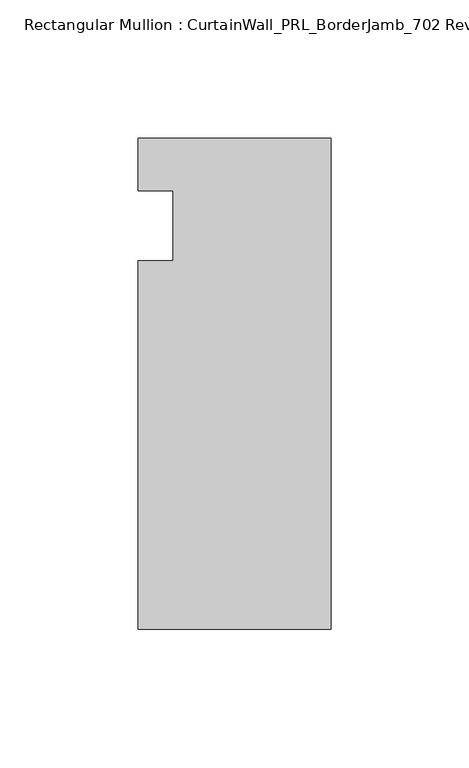
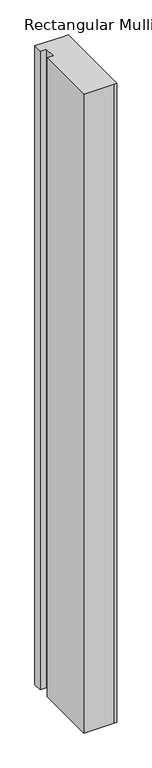
"""IFC4 building model written with IfcOpenShell, lengths in millimetres: member geometry, Rectangular Mullion : CurtainWall_PRL_BorderJamb_702 Reverse."""

import ifcopenshell
import ifcopenshell.guid

model = None  # the IFC model being written
_history = None  # IfcOwnerHistory: only IFC2X3 demands one
_inside = {}  # id of a spatial element -> (the spatial element, [elements in it])
_under = {}  # id of a project, library or spatial element -> (it, [spatial elements below it])
_declared = {}  # id of a project -> (the project, [libraries it declares])
_typed = {}  # id of a type object -> (the type object, [elements of that type])
_made_of = {}  # id of a material, layer set ... -> (it, [elements and type objects made of it])


def new_model(schema):
    """Start an empty IFC model of exactly this schema.

    Asked for "IFC4X3", IfcOpenShell would pick the latest addendum, in which some entities
    have other attributes; the version numbers below select the first issue.
    IFC2X3 requires an IfcOwnerHistory on every rooted entity: one is made here for all.
    """
    global model, _history
    if schema == "IFC4X3":
        model = ifcopenshell.file(schema_version=(4, 3, 0, 0))
    else:
        model = ifcopenshell.file(schema=schema)
    _inside.clear()
    _under.clear()
    _declared.clear()
    _typed.clear()
    _made_of.clear()
    _history = None
    if model.schema == "IFC2X3":
        org = make("IfcOrganization", Name="unknown")
        user = make(
            "IfcPersonAndOrganization",
            ThePerson=make("IfcPerson", FamilyName="unknown"),
            TheOrganization=org,
        )
        app = make(
            "IfcApplication",
            ApplicationDeveloper=org,
            Version="unknown",
            ApplicationFullName="unknown",
            ApplicationIdentifier="unknown",
        )
        _history = make(
            "IfcOwnerHistory",
            OwningUser=user,
            OwningApplication=app,
            ChangeAction="ADDED",
            CreationDate=0,
        )
    return model


def make(cls, **values):
    """One entity of the class cls with the attributes given. An attribute that is None is left unset."""
    return model.create_entity(
        cls, **{name: value for name, value in values.items() if value is not None}
    )


def rooted(cls, **values):
    """An entity with a GlobalId (a new one), such as an element, a storey or a relation."""
    return make(cls, GlobalId=ifcopenshell.guid.new(), OwnerHistory=_history, **values)


def si_unit(unit_type, name, prefix=None):
    """IfcSIUnit, for example si_unit("LENGTHUNIT", "METRE", prefix="MILLI")."""
    return make("IfcSIUnit", UnitType=unit_type, Prefix=prefix, Name=name)


def assignment(units):
    """IfcUnitAssignment: the units of a project."""
    return None if units is None else make("IfcUnitAssignment", Units=units)


def point(xyz):
    """IfcCartesianPoint."""
    return None if xyz is None else make("IfcCartesianPoint", Coordinates=xyz)


def direction(xyz):
    """IfcDirection."""
    return None if xyz is None else make("IfcDirection", DirectionRatios=xyz)


def frame(location, z_axis=None, x_axis=None):
    """IfcAxis2Placement3D, a coordinate frame: its origin and axes. An axis left out is left unset."""
    return make(
        "IfcAxis2Placement3D",
        Location=point(location),
        Axis=direction(z_axis),
        RefDirection=direction(x_axis),
    )


def origin():
    """The frame at (0, 0, 0) with its axes left unset."""
    return frame((0.0, 0.0, 0.0))


def place(relative_to, where):
    """IfcLocalPlacement: puts the frame where relative to a parent placement (None: the world)."""
    return make(
        "IfcLocalPlacement", PlacementRelTo=relative_to, RelativePlacement=where
    )


def context(
    kind, dimensions, precision=None, world=None, true_north=None, identifier=None
):
    """IfcGeometricRepresentationContext, for example the 3D "Model" context."""
    return make(
        "IfcGeometricRepresentationContext",
        ContextIdentifier=identifier,
        ContextType=kind,
        CoordinateSpaceDimension=dimensions,
        Precision=precision,
        WorldCoordinateSystem=world,
        TrueNorth=true_north,
    )


def project(units=None, contexts=None):
    """IfcProject with its units and contexts."""
    return rooted(
        "IfcProject",
        Name="project",
        RepresentationContexts=contexts,
        UnitsInContext=assignment(units),
    )


def spatial(cls, under=None, at=None, **own):
    """A site, building, storey or space (cls), placed at a placement, below another one or the project."""
    s = rooted(cls, ObjectPlacement=at, **own)
    if under is not None:
        _under.setdefault(under.id(), (under, []))[1].append(s)
    return s


def polyline(points):
    """IfcPolyline through the points."""
    return make("IfcPolyline", Points=[point(p) for p in points])


def outline(outer, holes=None, kind="AREA"):
    """IfcArbitraryClosedProfileDef: a profile drawn as a closed curve; with holes, ...WithVoids."""
    if holes is None:
        return make("IfcArbitraryClosedProfileDef", ProfileType=kind, OuterCurve=outer)
    return make(
        "IfcArbitraryProfileDefWithVoids",
        ProfileType=kind,
        OuterCurve=outer,
        InnerCurves=holes,
    )


def extrude(swept, where, along, depth):
    """IfcExtrudedAreaSolid: the profile swept, set in the frame where, extruded along a direction by depth."""
    return make(
        "IfcExtrudedAreaSolid",
        SweptArea=swept,
        Position=where,
        ExtrudedDirection=direction(along),
        Depth=depth,
    )


def shape(context_of_items, identifier, shape_type, items):
    """IfcShapeRepresentation: the items that make up one representation, for example the "Body"."""
    return make(
        "IfcShapeRepresentation",
        ContextOfItems=context_of_items,
        RepresentationIdentifier=identifier,
        RepresentationType=shape_type,
        Items=items,
    )


def source(mapping_origin, context_of_items, identifier, shape_type, items):
    """IfcRepresentationMap: a shape defined once, which mapped items show again and again."""
    return make(
        "IfcRepresentationMap",
        MappingOrigin=mapping_origin,
        MappedRepresentation=shape(context_of_items, identifier, shape_type, items),
    )


def transform(
    local_origin,
    x_axis=None,
    y_axis=None,
    z_axis=None,
    scale=None,
    scale2=None,
    scale3=None,
    uniform=True,
):
    """IfcCartesianTransformationOperator3D, or its non-uniform kind. x_axis, y_axis, z_axis: its Axis1, 2, 3."""
    if uniform:
        return make(
            "IfcCartesianTransformationOperator3D",
            Axis1=direction(x_axis),
            Axis2=direction(y_axis),
            LocalOrigin=point(local_origin),
            Scale=scale,
            Axis3=direction(z_axis),
        )
    return make(
        "IfcCartesianTransformationOperator3DnonUniform",
        Axis1=direction(x_axis),
        Axis2=direction(y_axis),
        LocalOrigin=point(local_origin),
        Scale=scale,
        Axis3=direction(z_axis),
        Scale2=scale2,
        Scale3=scale3,
    )


def mapped(mapping_source, mapping_target):
    """IfcMappedItem: shows the shape of a source again, moved by a transform."""
    return make(
        "IfcMappedItem", MappingSource=mapping_source, MappingTarget=mapping_target
    )


def made_of(thing, what):
    """Note that an element or type object is made of a material, layer set ...; save() writes the relation."""
    if what is not None:
        _made_of.setdefault(what.id(), (what, []))[1].append(thing)
    return thing


def element(
    cls,
    number,
    at=None,
    inside=None,
    cuts=None,
    type_object=None,
    material=None,
    context=None,
    identifier="Body",
    shape_type=None,
    held_by="IfcProductDefinitionShape",
    body=None,
    shapes=None,
    **own,
):
    """One element of the class cls, such as IfcWall. Its Tag is "e" and its number.

    at: its placement. inside: the storey or other place that contains it. cuts: it is an
    opening in that element (IfcRelVoidsElement). A single representation is given by context,
    identifier, shape_type and body (its items); several are given by shapes. held_by: the class
    of the entity that holds the representations. save() writes the other relations.
    """
    e = rooted(cls, Tag="e%d" % number, ObjectPlacement=at, **own)
    if body is not None:
        shapes = [shape(context, identifier, shape_type, body)]
    if shapes is not None:
        e.Representation = make(held_by, Representations=shapes)
    if inside is not None:
        _inside.setdefault(inside.id(), (inside, []))[1].append(e)
    if cuts is not None:
        rooted(
            "IfcRelVoidsElement", RelatingBuildingElement=cuts, RelatedOpeningElement=e
        )
    if type_object is not None:
        _typed.setdefault(type_object.id(), (type_object, []))[1].append(e)
    return made_of(e, material)


def aggregate(whole, parts):
    """IfcRelAggregates: a whole, such as a stair, and the parts it consists of."""
    return rooted("IfcRelAggregates", RelatingObject=whole, RelatedObjects=parts)


def save(model, path):
    """Write the relations noted so far, then the file.

    IfcRelAggregates (storeys below a building ...), IfcRelContainedInSpatialStructure (elements
    in a storey), IfcRelDefinesByType, IfcRelAssociatesMaterial and IfcRelDeclares: one each for
    every whole, place, type object, material and project.
    """
    for whole, parts in _under.values():
        aggregate(whole, parts)
    for where, things in _inside.values():
        rooted(
            "IfcRelContainedInSpatialStructure",
            RelatedElements=things,
            RelatingStructure=where,
        )
    for kind, things in _typed.values():
        rooted("IfcRelDefinesByType", RelatedObjects=things, RelatingType=kind)
    for what, things in _made_of.values():
        rooted("IfcRelAssociatesMaterial", RelatedObjects=things, RelatingMaterial=what)
    for by, libraries in _declared.values():
        rooted("IfcRelDeclares", RelatingContext=by, RelatedDefinitions=libraries)
    model.write(path)


def rectangular_mullion_curtainwall_prl_borderjamb_702_reverse_b58887df(model_context):
    return source(origin(), model_context, "Body", "SweptSolid", [
        extrude(outline(polyline([(-57.15, -12.7), (-57.15, 12.7), (-69.85, 12.7), (-69.85, 31.75), (-7.3958824, 31.75), (0.0, 31.75), (0.0, -146.05), (-6.35, -146.05), (-69.85, -146.05), (-69.85, -12.7), (-57.15, -12.7)])), frame((0.0, 0.0, -1422.4), z_axis=(0.0, 0.0, 1.0), x_axis=(1.0, 0.0, 0.0)), (0.0, 0.0, 1.0), 1422.4),
    ])


if __name__ == "__main__":
    model = new_model("IFC4")
    model_context = context("Model", 3, world=origin())
    ifc_project = project(units=[si_unit("LENGTHUNIT", "METRE", prefix="MILLI")], contexts=[model_context])
    site = spatial("IfcSite", under=ifc_project)
    building = spatial("IfcBuilding", under=site)
    placement = place(None, origin())
    rectangular_mullion_curtainwall_prl_borderjamb_702_reverse_shape = rectangular_mullion_curtainwall_prl_borderjamb_702_reverse_b58887df(model_context)
    element("IfcMember", 1, ObjectType="Rectangular Mullion : CurtainWall_PRL_BorderJamb_702 Reverse", at=placement, inside=building, context=model_context, shape_type="MappedRepresentation", body=[
        mapped(rectangular_mullion_curtainwall_prl_borderjamb_702_reverse_shape, transform((0.0, 0.0, 0.0), x_axis=(1.0, 0.0, 0.0), y_axis=(0.0, 1.0, 0.0), z_axis=(0.0, 0.0, 1.0))),
    ])
    save(model, "model.ifc")
